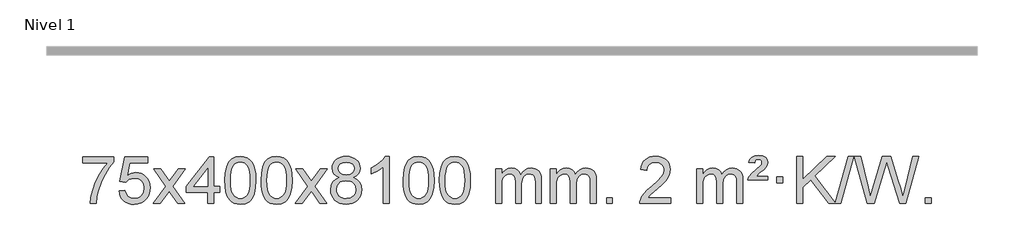
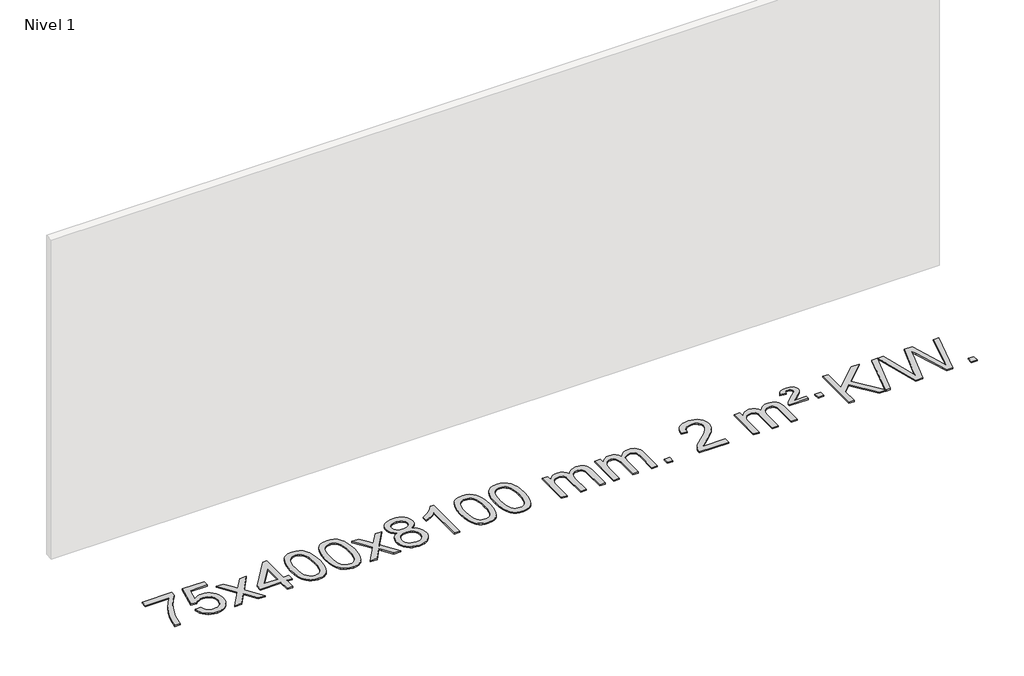
# One storey, part 4 of 25: 1 proxy.
"""IFC4 building model written with IfcOpenShell, lengths in millimetres."""

from ifc_helpers import new_model, si_unit, origin, origin_with_axes, place, context, project, spatial, polyline, outline, extrude, element, save

model = new_model("IFC4")

# Units and contexts
model_context = context("Model", 3, world=origin())
ifc_project = project(units=[si_unit("LENGTHUNIT", "METRE", prefix="MILLI")], contexts=[model_context])

# Site, building, storey
site = spatial("IfcSite", under=ifc_project)
building = spatial("IfcBuilding", under=site)
storey = spatial("IfcBuildingStorey", under=building, Name="Nivel 1", Elevation=0.0)

# Proxy
placement = place(None, origin())
element("IfcBuildingElementProxy", 1, Name="Texto de modelo 1", ObjectType="Texto de modelo 1", at=placement, inside=storey, context=model_context, shape_type="SweptSolid", body=[
    extrude(outline(polyline([(-12723.8644932, -12090.2608869), (-12723.8644932, -12040.0327318), (-12460.1666791, -12040.0327318), (-12460.1666791, -12080.646904), (-12497.7519563, -12128.214046), (-12534.9693515, -12188.7061088), (-12567.7966882, -12256.6048623), (-12592.2117899, -12326.3920768), (-12604.1802175, -12378.6067947), (-12610.8511443, -12435.579453), (-12661.0792994, -12435.579453), (-12655.6469086, -12383.8061935), (-12641.1155698, -12322.2717985), (-12617.8776904, -12257.0463207), (-12586.325678, -12194.1998132), (-12549.4884275, -12137.3865704), (-12510.3948342, -12090.2608869), (-12723.8644932, -12090.2608869)])), origin_with_axes(), (0.0, 0.0, 1.0), 10.0),
    extrude(outline(polyline([(-12416.2170434, -12328.8446235), (-12365.9888883, -12322.5661041), (-12356.767313, -12352.7201649), (-12340.6786071, -12374.3148381), (-12317.796347, -12387.3010725), (-12288.1941091, -12391.6298173), (-12269.0642453, -12390.1245668), (-12252.1907245, -12385.6088153), (-12237.5735466, -12378.0825628), (-12225.2127115, -12367.5458094), (-12215.3841309, -12354.519721), (-12208.3637161, -12339.5254641), (-12202.7473843, -12303.6324441), (-12208.0080969, -12269.8363514), (-12214.5839875, -12255.9181493), (-12223.7902345, -12243.9865099), (-12235.6574945, -12234.4154467), (-12250.2164245, -12227.5789729), (-12287.4092942, -12222.1097939), (-12311.775345, -12224.2925604), (-12331.5060827, -12230.8408599), (-12347.2636948, -12240.8717757), (-12359.7103689, -12253.5023908), (-12409.938524, -12247.2238715), (-12365.9888883, -12040.0327318), (-12171.3547874, -12040.0327318), (-12171.3547874, -12090.2608869), (-12325.3747161, -12090.2608869), (-12346.9571265, -12200.919791), (-12329.2313456, -12188.2155994), (-12311.0763692, -12179.1411769), (-12292.4921971, -12173.6965234), (-12273.4788293, -12171.8816388), (-12249.0146766, -12174.1318504), (-12226.5370867, -12180.882485), (-12206.0460596, -12192.1335427), (-12187.5415952, -12207.8850234), (-12172.2193101, -12227.1743027), (-12161.2748208, -12249.038756), (-12154.7081271, -12273.4783832), (-12152.5192293, -12300.4931844), (-12154.4873979, -12326.5147042), (-12160.391904, -12350.7213394), (-12170.2327473, -12373.1130902), (-12184.0099281, -12393.6899565), (-12204.8810999, -12414.7634634), (-12229.234888, -12429.8159684), (-12257.0712923, -12438.8474714), (-12288.3903128, -12441.8579724), (-12314.3106651, -12439.9235262), (-12337.7232884, -12434.1201877), (-12358.6281827, -12424.447957), (-12377.0253482, -12410.9068338), (-12392.3323049, -12394.1712688), (-12403.966573, -12374.915712), (-12411.9281525, -12353.1401636), (-12416.2170434, -12328.8446235)])), origin_with_axes(), (0.0, 0.0, 1.0), 10.0),
    extrude(outline(polyline([(-12127.4051517, -12435.579453), (-12020.081711, -12287.1513307), (-12121.1266323, -12140.4890419), (-12060.892087, -12140.4890419), (-12012.1354599, -12211.2204869), (-11989.2777253, -12244.4770192), (-11969.4611485, -12217.2047007), (-11913.9354927, -12140.4890419), (-11853.5047436, -12140.4890419), (-11959.6509619, -12287.2494325), (-11857.4288182, -12435.579453), (-11917.7614654, -12435.579453), (-11979.3694369, -12346.3067555), (-11990.5530495, -12329.923744), (-12066.9744027, -12435.579453), (-12127.4051517, -12435.579453)])), origin_with_axes(), (0.0, 0.0, 1.0), 10.0),
    extrude(outline(polyline([(-11662.7947173, -12435.579453), (-11662.7947173, -12341.4016622), (-11844.8717794, -12341.4016622), (-11844.8717794, -12291.1735072), (-11650.2376785, -12040.0327318), (-11612.5665622, -12040.0327318), (-11612.5665622, -12291.1735072), (-11562.3384071, -12291.1735072), (-11562.3384071, -12341.4016622), (-11612.5665622, -12341.4016622), (-11612.5665622, -12435.579453), (-11662.7947173, -12435.579453)]), holes=[polyline([(-11662.7947173, -12291.1735072), (-11662.7947173, -12135.9763561), (-11783.0676042, -12291.1735072), (-11662.7947173, -12291.1735072)])]), origin_with_axes(), (0.0, 0.0, 1.0), 10.0),
    extrude(outline(polyline([(-11518.3887714, -12237.9041943), (-11514.6976888, -12173.5861588), (-11503.6244407, -12122.2911459), (-11485.2793919, -12083.2343407), (-11473.4213289, -12068.0009605), (-11459.7729069, -12055.6309284), (-11444.2881406, -12046.0598651), (-11426.9210447, -12039.2233914), (-11386.5398644, -12033.7542124), (-11355.5887258, -12036.991574), (-11327.8749489, -12046.7036586), (-11304.6983832, -12062.5103217), (-11287.3588785, -12084.0314184), (-11274.2622794, -12111.0830078), (-11263.8144308, -12143.4811488), (-11256.9718257, -12184.6226186), (-11254.6909573, -12237.9041943), (-11258.3452518, -12301.8543477), (-11269.3081352, -12353.0267333), (-11287.5428195, -12392.1203266), (-11299.3732913, -12407.3996922), (-11313.0125163, -12419.8341036), (-11328.5156767, -12429.4695462), (-11345.9379548, -12436.3520052), (-11386.5398644, -12441.8579724), (-11414.2045904, -12439.4667394), (-11438.7300568, -12432.2930405), (-11460.1162634, -12420.3368757), (-11478.3632104, -12403.5982449), (-11495.8743933, -12373.3399508), (-11508.3823812, -12335.6381776), (-11515.8871739, -12290.4929255), (-11518.3887714, -12237.9041943)]), holes=[polyline([(-11468.1606164, -12237.8060924), (-11466.6890884, -12281.4706195), (-11462.2745044, -12316.8148822), (-11454.9168645, -12343.8388804), (-11444.6161687, -12362.5426142), (-11432.1572318, -12375.2682656), (-11418.3248688, -12384.3580165), (-11403.1190796, -12389.8118671), (-11386.5398644, -12391.6298173), (-11369.9606491, -12389.8057357), (-11354.75486, -12384.3334911), (-11340.922497, -12375.2130833), (-11328.4635601, -12362.4445124), (-11318.1628642, -12343.7101217), (-11310.8052243, -12316.6922549), (-11306.3906404, -12281.3909118), (-11304.9191124, -12237.8060924), (-11306.3415894, -12195.2973278), (-11310.6090206, -12160.5753989), (-11317.7214058, -12133.6403055), (-11327.6787451, -12114.4920476), (-11339.9292156, -12101.1440625), (-11353.9209941, -12091.6097875), (-11369.6540808, -12085.8892225), (-11387.1284756, -12083.9823675), (-11403.6218517, -12085.6623619), (-11418.5701234, -12090.7023452), (-11431.9732908, -12099.1023175), (-11443.8313538, -12110.8622786), (-11454.4754062, -12131.708925), (-11462.0783007, -12159.8151094), (-11466.6400375, -12195.1808319), (-11468.1606164, -12237.8060924)])]), origin_with_axes(), (0.0, 0.0, 1.0), 10.0),
    extrude(outline(polyline([(-11210.7413216, -12237.9041943), (-11207.0502389, -12173.5861588), (-11195.9769909, -12122.2911459), (-11177.631942, -12083.2343407), (-11165.7738791, -12068.0009605), (-11152.125457, -12055.6309284), (-11136.6406907, -12046.0598651), (-11119.2735949, -12039.2233914), (-11078.8924145, -12033.7542124), (-11047.941276, -12036.991574), (-11020.227499, -12046.7036586), (-10997.0509333, -12062.5103217), (-10979.7114286, -12084.0314184), (-10966.6148296, -12111.0830078), (-10956.166981, -12143.4811488), (-10949.3243758, -12184.6226186), (-10947.0435075, -12237.9041943), (-10950.697802, -12301.8543477), (-10961.6606854, -12353.0267333), (-10979.8953696, -12392.1203266), (-10991.7258415, -12407.3996922), (-11005.3650664, -12419.8341036), (-11020.8682269, -12429.4695462), (-11038.290505, -12436.3520052), (-11078.8924145, -12441.8579724), (-11106.5571406, -12439.4667394), (-11131.0826069, -12432.2930405), (-11152.4688136, -12420.3368757), (-11170.7157605, -12403.5982449), (-11188.2269435, -12373.3399508), (-11200.7349313, -12335.6381776), (-11208.239724, -12290.4929255), (-11210.7413216, -12237.9041943)]), holes=[polyline([(-11160.5131665, -12237.8060924), (-11159.0416386, -12281.4706195), (-11154.6270546, -12316.8148822), (-11147.2694147, -12343.8388804), (-11136.9687188, -12362.5426142), (-11124.5097819, -12375.2682656), (-11110.6774189, -12384.3580165), (-11095.4716298, -12389.8118671), (-11078.8924145, -12391.6298173), (-11062.3131993, -12389.8057357), (-11047.1074102, -12384.3334911), (-11033.2750471, -12375.2130833), (-11020.8161102, -12362.4445124), (-11010.5154144, -12343.7101217), (-11003.1577745, -12316.6922549), (-10998.7431905, -12281.3909118), (-10997.2716625, -12237.8060924), (-10998.6941396, -12195.2973278), (-11002.9615707, -12160.5753989), (-11010.073956, -12133.6403055), (-11020.0312953, -12114.4920476), (-11032.2817658, -12101.1440625), (-11046.2735443, -12091.6097875), (-11062.006631, -12085.8892225), (-11079.4810257, -12083.9823675), (-11095.9744019, -12085.6623619), (-11110.9226736, -12090.7023452), (-11124.3258409, -12099.1023175), (-11136.1839039, -12110.8622786), (-11146.8279563, -12131.708925), (-11154.4308509, -12159.8151094), (-11158.9925876, -12195.1808319), (-11160.5131665, -12237.8060924)])]), origin_with_axes(), (0.0, 0.0, 1.0), 10.0),
    extrude(outline(polyline([(-10921.9294299, -12435.579453), (-10814.6059892, -12287.1513307), (-10915.6509105, -12140.4890419), (-10855.4163652, -12140.4890419), (-10806.6597381, -12211.2204869), (-10783.8020035, -12244.4770192), (-10763.9854267, -12217.2047007), (-10708.4597709, -12140.4890419), (-10648.0290218, -12140.4890419), (-10754.1752401, -12287.2494325), (-10651.9530964, -12435.579453), (-10712.2857436, -12435.579453), (-10773.8937151, -12346.3067555), (-10785.0773277, -12329.923744), (-10861.4986809, -12435.579453), (-10921.9294299, -12435.579453)])), origin_with_axes(), (0.0, 0.0, 1.0), 10.0),
    extrude(outline(polyline([(-10547.3765079, -12214.2616447), (-10574.2686818, -12201.0178929), (-10593.1410281, -12183.0652515), (-10604.2878526, -12160.7716026), (-10608.0034607, -12134.5048281), (-10605.9801097, -12114.0199324), (-10599.9100568, -12095.2395565), (-10589.793302, -12078.1637006), (-10575.6298451, -12062.7923645), (-10558.1002681, -12050.088173), (-10537.8851524, -12041.0137504), (-10514.9844982, -12035.5690969), (-10489.3983055, -12033.7542124), (-10463.6894854, -12035.6120165), (-10440.6171529, -12041.1854287), (-10420.1813081, -12050.4744491), (-10402.3819509, -12063.4790776), (-10387.9609767, -12079.1508506), (-10377.6602808, -12096.4413044), (-10371.4798633, -12115.3504389), (-10369.4197241, -12135.8782543), (-10373.0862813, -12161.2989001), (-10384.085953, -12183.2124043), (-10402.5413664, -12201.0546811), (-10428.5751489, -12214.2616447), (-10397.6607986, -12230.1909351), (-10375.1586832, -12253.6495436), (-10361.4366848, -12283.5092989), (-10356.8626853, -12318.6420295), (-10359.131291, -12343.6947933), (-10365.9371079, -12366.6628926), (-10377.2801361, -12387.5463272), (-10393.1603755, -12406.3450971), (-10412.7439604, -12421.88198), (-10435.1970248, -12432.9797536), (-10460.5195688, -12439.6384177), (-10488.7115924, -12441.8579724), (-10516.903616, -12439.6292206), (-10542.22616, -12432.9429654), (-10564.6792244, -12421.7992066), (-10584.2628093, -12406.1979443), (-10600.1430488, -12387.26735), (-10611.4860769, -12366.135595), (-10618.2918938, -12342.8026795), (-10620.5604995, -12317.2686033), (-10615.802559, -12280.7747094), (-10601.5287376, -12250.7555386), (-10578.4747992, -12228.2411605), (-10547.3765079, -12214.2616447)]), holes=[polyline([(-10570.3323444, -12315.5027698), (-10568.235417, -12334.7184726), (-10561.9446349, -12353.3210389), (-10550.3318266, -12369.5446349), (-10532.2688206, -12381.623427), (-10510.6373593, -12389.1282197), (-10488.319185, -12391.6298173), (-10454.1306849, -12386.3691048), (-10440.2370082, -12379.7932141), (-10428.4770471, -12370.5869672), (-10412.4373921, -12346.6869002), (-10407.0908404, -12317.0723996), (-10412.6090703, -12286.9551269), (-10429.1637601, -12262.5277625), (-10441.2425523, -12253.0854579), (-10455.4060091, -12246.3409547), (-10489.9869167, -12240.9453521), (-10523.6971702, -12246.2673783), (-10537.434497, -12252.919911), (-10549.0932906, -12262.2334569), (-10565.0225809, -12286.1948375), (-10570.3323444, -12315.5027698)]), polyline([(-10557.7753056, -12135.9763561), (-10553.3239335, -12157.902123), (-10539.9698171, -12175.413306), (-10518.1053638, -12186.8912243), (-10488.1229812, -12190.717197), (-10458.8395744, -12186.9157497), (-10437.306215, -12175.5114079), (-10424.0624631, -12158.5888361), (-10419.6478792, -12138.232699), (-10424.2096159, -12117.1040098), (-10437.8948261, -12099.629615), (-10459.7224912, -12087.8941794), (-10488.7115924, -12083.9823675), (-10517.8846346, -12087.8083402), (-10539.6755115, -12099.2862585), (-10553.2503571, -12116.1107284), (-10557.7753056, -12135.9763561)])]), origin_with_axes(), (0.0, 0.0, 1.0), 10.0),
    extrude(outline(polyline([(-10124.5574681, -12435.579453), (-10174.7856232, -12435.579453), (-10174.7856232, -12122.4382987), (-10195.7548969, -12139.3976587), (-10222.3650279, -12156.3324932), (-10275.2419333, -12181.6918254), (-10275.2419333, -12134.2105225), (-10235.7927207, -12112.7507395), (-10201.6164834, -12087.219729), (-10174.6752586, -12060.0700378), (-10156.9310837, -12033.7542124), (-10124.5574681, -12033.7542124), (-10124.5574681, -12435.579453)])), origin_with_axes(), (0.0, 0.0, 1.0), 10.0),
    extrude(outline(polyline([(-10005.2655998, -12237.9041943), (-10001.5745171, -12173.5861588), (-9990.5012691, -12122.2911459), (-9972.1562203, -12083.2343407), (-9960.2981573, -12068.0009605), (-9946.6497353, -12055.6309284), (-9931.1649689, -12046.0598651), (-9913.7978731, -12039.2233914), (-9873.4166927, -12033.7542124), (-9842.4655542, -12036.991574), (-9814.7517772, -12046.7036586), (-9791.5752116, -12062.5103217), (-9774.2357068, -12084.0314184), (-9761.1391078, -12111.0830078), (-9750.6912592, -12143.4811488), (-9743.848654, -12184.6226186), (-9741.5677857, -12237.9041943), (-9745.2220802, -12301.8543477), (-9756.1849636, -12353.0267333), (-9774.4196478, -12392.1203266), (-9786.2501197, -12407.3996922), (-9799.8893446, -12419.8341036), (-9815.3925051, -12429.4695462), (-9832.8147832, -12436.3520052), (-9873.4166927, -12441.8579724), (-9901.0814188, -12439.4667394), (-9925.6068851, -12432.2930405), (-9946.9930918, -12420.3368757), (-9965.2400387, -12403.5982449), (-9982.7512217, -12373.3399508), (-9995.2592095, -12335.6381776), (-10002.7640023, -12290.4929255), (-10005.2655998, -12237.9041943)]), holes=[polyline([(-9955.0374447, -12237.8060924), (-9953.5659168, -12281.4706195), (-9949.1513328, -12316.8148822), (-9941.7936929, -12343.8388804), (-9931.4929971, -12362.5426142), (-9919.0340601, -12375.2682656), (-9905.2016971, -12384.3580165), (-9889.995908, -12389.8118671), (-9873.4166927, -12391.6298173), (-9856.8374775, -12389.8057357), (-9841.6316884, -12384.3334911), (-9827.7993253, -12375.2130833), (-9815.3403884, -12362.4445124), (-9805.0396926, -12343.7101217), (-9797.6820527, -12316.6922549), (-9793.2674687, -12281.3909118), (-9791.7959408, -12237.8060924), (-9793.2184178, -12195.2973278), (-9797.4858489, -12160.5753989), (-9804.5982342, -12133.6403055), (-9814.5555735, -12114.4920476), (-9826.806044, -12101.1440625), (-9840.7978225, -12091.6097875), (-9856.5309092, -12085.8892225), (-9874.0053039, -12083.9823675), (-9890.4986801, -12085.6623619), (-9905.4469518, -12090.7023452), (-9918.8501192, -12099.1023175), (-9930.7081821, -12110.8622786), (-9941.3522345, -12131.708925), (-9948.9551291, -12159.8151094), (-9953.5168658, -12195.1808319), (-9955.0374447, -12237.8060924)])]), origin_with_axes(), (0.0, 0.0, 1.0), 10.0),
    extrude(outline(polyline([(-9697.61815, -12237.9041943), (-9693.9270673, -12173.5861588), (-9682.8538192, -12122.2911459), (-9664.5087704, -12083.2343407), (-9652.6507074, -12068.0009605), (-9639.0022854, -12055.6309284), (-9623.5175191, -12046.0598651), (-9606.1504233, -12039.2233914), (-9565.7692429, -12033.7542124), (-9534.8181044, -12036.991574), (-9507.1043274, -12046.7036586), (-9483.9277617, -12062.5103217), (-9466.588257, -12084.0314184), (-9453.491658, -12111.0830078), (-9443.0438093, -12143.4811488), (-9436.2012042, -12184.6226186), (-9433.9203358, -12237.9041943), (-9437.5746303, -12301.8543477), (-9448.5375138, -12353.0267333), (-9466.772198, -12392.1203266), (-9478.6026698, -12407.3996922), (-9492.2418948, -12419.8341036), (-9507.7450552, -12429.4695462), (-9525.1673334, -12436.3520052), (-9565.7692429, -12441.8579724), (-9593.433969, -12439.4667394), (-9617.9594353, -12432.2930405), (-9639.3456419, -12420.3368757), (-9657.5925889, -12403.5982449), (-9675.1037719, -12373.3399508), (-9687.6117597, -12335.6381776), (-9695.1165524, -12290.4929255), (-9697.61815, -12237.9041943)]), holes=[polyline([(-9647.3899949, -12237.8060924), (-9645.9184669, -12281.4706195), (-9641.503883, -12316.8148822), (-9634.1462431, -12343.8388804), (-9623.8455472, -12362.5426142), (-9611.3866103, -12375.2682656), (-9597.5542473, -12384.3580165), (-9582.3484582, -12389.8118671), (-9565.7692429, -12391.6298173), (-9549.1900277, -12389.8057357), (-9533.9842385, -12384.3334911), (-9520.1518755, -12375.2130833), (-9507.6929386, -12362.4445124), (-9497.3922427, -12343.7101217), (-9490.0346028, -12316.6922549), (-9485.6200189, -12281.3909118), (-9484.1484909, -12237.8060924), (-9485.570968, -12195.2973278), (-9489.8383991, -12160.5753989), (-9496.9507843, -12133.6403055), (-9506.9081237, -12114.4920476), (-9519.1585941, -12101.1440625), (-9533.1503727, -12091.6097875), (-9548.8834593, -12085.8892225), (-9566.3578541, -12083.9823675), (-9582.8512302, -12085.6623619), (-9597.799502, -12090.7023452), (-9611.2026693, -12099.1023175), (-9623.0607323, -12110.8622786), (-9633.7047847, -12131.708925), (-9641.3076793, -12159.8151094), (-9645.869416, -12195.1808319), (-9647.3899949, -12237.8060924)])]), origin_with_axes(), (0.0, 0.0, 1.0), 10.0),
    extrude(outline(polyline([(-9220.4506768, -12435.579453), (-9220.4506768, -12140.4890419), (-9170.2225217, -12140.4890419), (-9170.2225217, -12189.0494653), (-9155.1148344, -12166.7435537), (-9135.6906651, -12149.2691589), (-9112.6122013, -12137.9751816), (-9086.5416305, -12134.2105225), (-9058.6071244, -12138.048758), (-9036.2153736, -12149.5634645), (-9019.4890055, -12167.9943524), (-9008.5506476, -12192.5811324), (-8990.2423869, -12167.0439906), (-8969.3589523, -12148.803175), (-8945.9003438, -12137.8586857), (-8919.8665612, -12134.2105225), (-8899.7587445, -12135.7280358), (-8882.1096058, -12140.2805755), (-8866.9191451, -12147.8681416), (-8854.1873624, -12158.4907342), (-8844.1227241, -12172.2709806), (-8836.9336968, -12189.3315082), (-8832.6202804, -12209.6723168), (-8831.1824749, -12233.2934066), (-8831.1824749, -12435.579453), (-8881.41063, -12435.579453), (-8881.41063, -12254.875817), (-8882.5755897, -12229.8230531), (-8886.0704686, -12212.9372695), (-8892.6187681, -12201.3735121), (-8902.9439895, -12192.2868268), (-8916.2245295, -12186.4007149), (-8931.6387851, -12184.4386776), (-8958.84979, -12189.4663982), (-8981.0330743, -12204.54956), (-8989.6384473, -12216.1194488), (-8995.7851423, -12230.7182326), (-9000.7024983, -12269.0024856), (-9000.7024983, -12435.579453), (-9050.9306534, -12435.579453), (-9050.9306534, -12249.2840106), (-9053.8369212, -12220.8835206), (-9062.5557244, -12200.6254854), (-9077.8964036, -12188.4853796), (-9100.6682991, -12184.4386776), (-9120.0188921, -12187.1364789), (-9137.8489061, -12195.2298828), (-9152.5641859, -12208.5226856), (-9162.5705762, -12226.8186835), (-9168.3095353, -12252.2025411), (-9170.2225217, -12286.7589232), (-9170.2225217, -12435.579453), (-9220.4506768, -12435.579453)])), origin_with_axes(), (0.0, 0.0, 1.0), 10.0),
    extrude(outline(polyline([(-8755.8402423, -12435.579453), (-8755.8402423, -12140.4890419), (-8705.6120873, -12140.4890419), (-8705.6120873, -12189.0494653), (-8690.5044, -12166.7435537), (-8671.0802306, -12149.2691589), (-8648.0017668, -12137.9751816), (-8621.9311961, -12134.2105225), (-8593.9966899, -12138.048758), (-8571.6049391, -12149.5634645), (-8554.8785711, -12167.9943524), (-8543.9402131, -12192.5811324), (-8525.6319525, -12167.0439906), (-8504.7485179, -12148.803175), (-8481.2899093, -12137.8586857), (-8455.2561268, -12134.2105225), (-8435.1483101, -12135.7280358), (-8417.4991714, -12140.2805755), (-8402.3087107, -12147.8681416), (-8389.5769279, -12158.4907342), (-8379.5122897, -12172.2709806), (-8372.3232624, -12189.3315082), (-8368.009846, -12209.6723168), (-8366.5720405, -12233.2934066), (-8366.5720405, -12435.579453), (-8416.8001956, -12435.579453), (-8416.8001956, -12254.875817), (-8417.9651552, -12229.8230531), (-8421.4600342, -12212.9372695), (-8428.0083337, -12201.3735121), (-8438.333555, -12192.2868268), (-8451.6140951, -12186.4007149), (-8467.0283507, -12184.4386776), (-8494.2393556, -12189.4663982), (-8516.4226399, -12204.54956), (-8525.0280129, -12216.1194488), (-8531.1747079, -12230.7182326), (-8536.0920639, -12269.0024856), (-8536.0920639, -12435.579453), (-8586.320219, -12435.579453), (-8586.320219, -12249.2840106), (-8589.2264867, -12220.8835206), (-8597.94529, -12200.6254854), (-8613.2859692, -12188.4853796), (-8636.0578647, -12184.4386776), (-8655.4084576, -12187.1364789), (-8673.2384717, -12195.2298828), (-8687.9537515, -12208.5226856), (-8697.9601418, -12226.8186835), (-8703.6991009, -12252.2025411), (-8705.6120873, -12286.7589232), (-8705.6120873, -12435.579453), (-8755.8402423, -12435.579453)])), origin_with_axes(), (0.0, 0.0, 1.0), 10.0),
    extrude(outline(polyline([(-8278.6727691, -12435.579453), (-8278.6727691, -12385.3512979), (-8228.444614, -12385.3512979), (-8228.444614, -12435.579453), (-8278.6727691, -12435.579453)])), origin_with_axes(), (0.0, 0.0, 1.0), 10.0),
    extrude(outline(polyline([(-7732.4415827, -12385.3512979), (-7732.4415827, -12435.579453), (-7996.1393968, -12435.579453), (-7995.0357508, -12417.8965918), (-7990.7437942, -12400.9494945), (-7978.346171, -12373.8856424), (-7960.1850632, -12347.6311307), (-7933.9305514, -12320.1503456), (-7897.2527165, -12289.4076736), (-7843.0636986, -12241.2641831), (-7810.5797185, -12205.7267824), (-7794.3561225, -12176.884834), (-7788.9482571, -12148.8277005), (-7794.0618169, -12123.6768347), (-7809.4024961, -12102.7688747), (-7832.983732, -12088.6789943), (-7862.8189618, -12083.9823675), (-7894.150245, -12088.5686297), (-7918.4917704, -12102.3274163), (-7934.2003316, -12124.1796068), (-7939.6327224, -12153.0460807), (-7989.8608774, -12146.7675613), (-7985.5413297, -12120.838012), (-7977.6839834, -12098.1826125), (-7966.2888386, -12078.8013627), (-7951.3558953, -12062.6942627), (-7933.22851, -12050.0329907), (-7912.2500392, -12040.989225), (-7888.420483, -12035.5629655), (-7861.7398413, -12033.7542124), (-7834.8200763, -12035.7653006), (-7810.8617613, -12041.7985654), (-7789.8648964, -12051.8540066), (-7771.8294816, -12065.9316242), (-7757.3441281, -12082.9890861), (-7746.997447, -12101.9840598), (-7740.7894383, -12122.9165453), (-7738.7201021, -12145.7865427), (-7740.9519195, -12169.8092369), (-7747.6473718, -12193.4149983), (-7759.5299603, -12217.4254299), (-7777.3231861, -12242.6621347), (-7805.6868879, -12272.7916701), (-7849.2809044, -12311.4805933), (-7907.0629031, -12359.795762), (-7929.724434, -12385.3512979), (-7732.4415827, -12385.3512979)])), origin_with_axes(), (0.0, 0.0, 1.0), 10.0),
    extrude(outline(polyline([(-7512.6934042, -12435.579453), (-7512.6934042, -12140.4890419), (-7462.4652492, -12140.4890419), (-7462.4652492, -12189.0494653), (-7447.3575619, -12166.7435537), (-7427.9333925, -12149.2691589), (-7404.8549287, -12137.9751816), (-7378.784358, -12134.2105225), (-7350.8498518, -12138.048758), (-7328.458101, -12149.5634645), (-7311.731733, -12167.9943524), (-7300.793375, -12192.5811324), (-7282.4851144, -12167.0439906), (-7261.6016798, -12148.803175), (-7238.1430712, -12137.8586857), (-7212.1092887, -12134.2105225), (-7192.001472, -12135.7280358), (-7174.3523333, -12140.2805755), (-7159.1618725, -12147.8681416), (-7146.4300898, -12158.4907342), (-7136.3654516, -12172.2709806), (-7129.1764243, -12189.3315082), (-7124.8630079, -12209.6723168), (-7123.4252024, -12233.2934066), (-7123.4252024, -12435.579453), (-7173.6533575, -12435.579453), (-7173.6533575, -12254.875817), (-7174.8183171, -12229.8230531), (-7178.3131961, -12212.9372695), (-7184.8614956, -12201.3735121), (-7195.1867169, -12192.2868268), (-7208.467257, -12186.4007149), (-7223.8815126, -12184.4386776), (-7251.0925175, -12189.4663982), (-7273.2758018, -12204.54956), (-7281.8811748, -12216.1194488), (-7288.0278698, -12230.7182326), (-7292.9452258, -12269.0024856), (-7292.9452258, -12435.579453), (-7343.1733809, -12435.579453), (-7343.1733809, -12249.2840106), (-7346.0796486, -12220.8835206), (-7354.7984519, -12200.6254854), (-7370.1391311, -12188.4853796), (-7392.9110266, -12184.4386776), (-7412.2616195, -12187.1364789), (-7430.0916336, -12195.2298828), (-7444.8069134, -12208.5226856), (-7454.8133037, -12226.8186835), (-7460.5522628, -12252.2025411), (-7462.4652492, -12286.7589232), (-7462.4652492, -12435.579453), (-7512.6934042, -12435.579453)])), origin_with_axes(), (0.0, 0.0, 1.0), 10.0),
    extrude(outline(polyline([(-7079.4755667, -12234.6668327), (-7075.649594, -12218.8479069), (-7067.3109354, -12202.9799302), (-7045.8021014, -12177.8413272), (-7013.8454188, -12150.1030247), (-6969.6995793, -12112.726214), (-6962.5626686, -12101.1992448), (-6960.1836984, -12089.3779701), (-6962.0721593, -12077.2869152), (-6967.737542, -12067.5012541), (-6977.1062702, -12061.026531), (-6990.1047673, -12058.8682899), (-7002.5391788, -12060.4869707), (-7011.3928721, -12065.343013), (-7017.8185443, -12074.8098431), (-7022.9688923, -12090.2608869), (-7073.1970473, -12083.9823675), (-7062.3567912, -12058.7701881), (-7045.728525, -12041.2099542), (-7021.9633481, -12030.9092583), (-6989.7123599, -12027.475693), (-6953.9297045, -12031.6082341), (-6929.1835089, -12044.0058573), (-6914.7625347, -12062.3386434), (-6909.9555433, -12084.2766731), (-6914.0512962, -12107.1834586), (-6926.3385549, -12128.8149199), (-6946.8663702, -12148.6314968), (-6983.3357386, -12176.6886303), (-7008.9403255, -12203.2742358), (-6909.9555433, -12203.2742358), (-6909.9555433, -12234.6668327), (-7079.4755667, -12234.6668327)])), origin_with_axes(), (0.0, 0.0, 1.0), 10.0),
    extrude(outline(polyline([(-6834.6133107, -12259.7809102), (-6834.6133107, -12209.5527552), (-6784.3851556, -12209.5527552), (-6784.3851556, -12259.7809102), (-6834.6133107, -12259.7809102)])), origin_with_axes(), (0.0, 0.0, 1.0), 10.0),
    extrude(outline(polyline([(-6393.7435277, -12435.579453), (-6547.272947, -12232.9009991), (-6614.8651323, -12297.4520265), (-6614.8651323, -12435.579453), (-6665.0932873, -12435.579453), (-6665.0932873, -12033.7542124), (-6614.8651323, -12033.7542124), (-6614.8651323, -12230.4484525), (-6408.851215, -12033.7542124), (-6338.6102794, -12033.7542124), (-6511.6619699, -12198.9577537), (-6336.9109364, -12429.5373449), (-6225.5969304, -12033.7542124), (-6180.0776649, -12033.7542124), (-6293.1891157, -12435.579453), (-6332.33176, -12435.579453), (-6338.6102794, -12435.579453), (-6393.7435277, -12435.579453)])), origin_with_axes(), (0.0, 0.0, 1.0), 10.0),
    extrude(outline(polyline([(-6065.7889917, -12435.579453), (-6175.3687754, -12033.7542124), (-6123.5709904, -12033.7542124), (-6060.0009817, -12297.844434), (-6040.3806086, -12379.3670841), (-6019.3868094, -12307.2622131), (-5939.7280947, -12033.7542124), (-5865.0725752, -12033.7542124), (-5807.1924746, -12232.0180823), (-5782.3972281, -12305.5944814), (-5764.1257557, -12379.3670841), (-5745.0939938, -12300.1988788), (-5681.0334757, -12033.7542124), (-5629.1375889, -12033.7542124), (-5738.6192707, -12435.579453), (-5792.3790929, -12435.579453), (-5888.8132266, -12125.5775584), (-5902.2531821, -12082.3146358), (-5917.3608694, -12134.4067263), (-6005.1620389, -12435.579453), (-6065.7889917, -12435.579453)])), origin_with_axes(), (0.0, 0.0, 1.0), 10.0),
    extrude(outline(polyline([(-5572.6309145, -12435.579453), (-5572.6309145, -12385.3512979), (-5522.4027594, -12385.3512979), (-5522.4027594, -12435.579453), (-5572.6309145, -12435.579453)])), origin_with_axes(), (0.0, 0.0, 1.0), 10.0),
])

save(model, "model.ifc")
